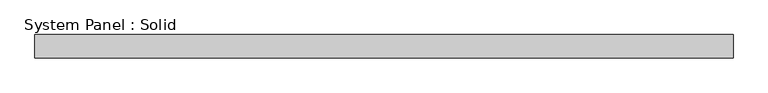
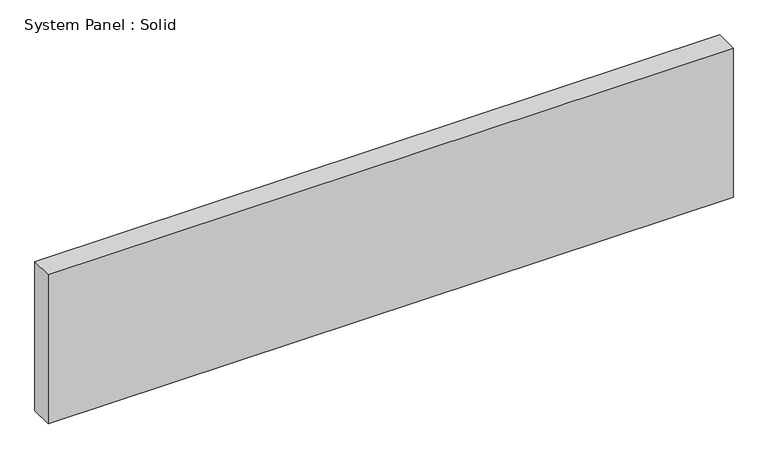
"""IFC4 building model written with IfcOpenShell, lengths in millimetres: plate geometry, System Panel : Solid."""

from ifc_helpers import new_model, si_unit, origin, origin_with_axes, place, context, project, spatial, polyline, outline, extrude, source, transform, mapped, element, save


def system_panel_solid_87faf9cc(model_context):
    return source(origin(), model_context, "Body", "SweptSolid", [
        extrude(outline(polyline([(895.5, -10.5), (-895.5, -10.5), (-895.5, 49.5), (895.5, 49.5), (895.5, -10.5)])), origin_with_axes(), (0.0, 0.0, 1.0), 412.0186763),
    ])


if __name__ == "__main__":
    model = new_model("IFC4")
    model_context = context("Model", 3, world=origin())
    ifc_project = project(units=[si_unit("LENGTHUNIT", "METRE", prefix="MILLI")], contexts=[model_context])
    site = spatial("IfcSite", under=ifc_project)
    building = spatial("IfcBuilding", under=site)
    placement = place(None, origin())
    system_panel_solid_shape = system_panel_solid_87faf9cc(model_context)
    element("IfcPlate", 1, ObjectType="System Panel : Solid", at=placement, inside=building, context=model_context, shape_type="MappedRepresentation", body=[
        mapped(system_panel_solid_shape, transform((0.0, 0.0, 0.0), x_axis=(1.0, 0.0, 0.0), y_axis=(0.0, 1.0, 0.0), z_axis=(0.0, 0.0, 1.0))),
    ])
    save(model, "model.ifc")
